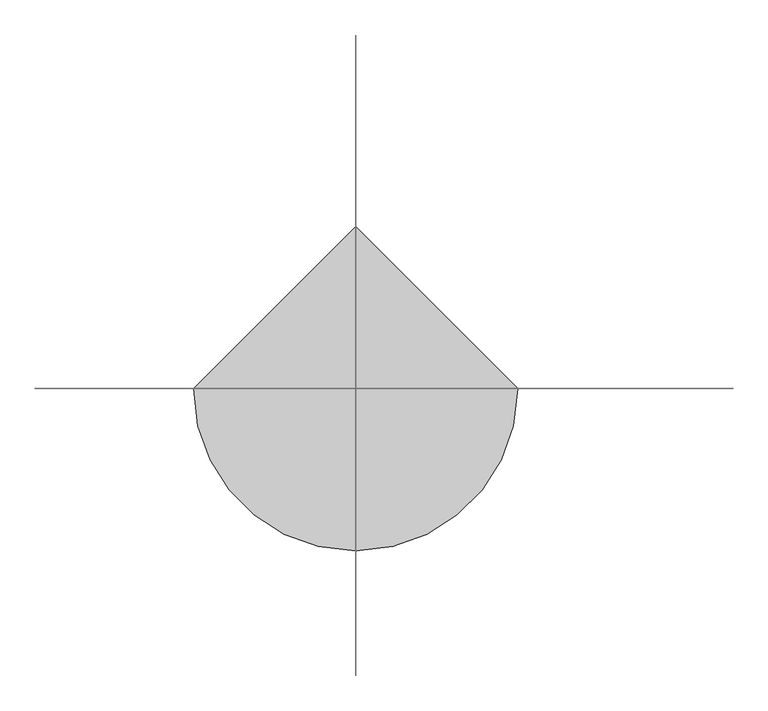
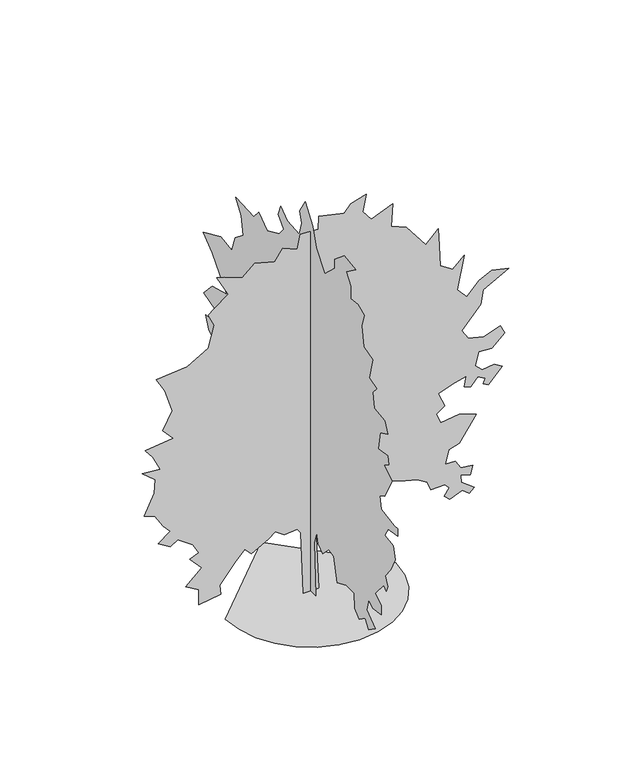
"""IFC4 building model written with IfcOpenShell, lengths in millimetres: geographic element geometry."""

from ifc_helpers import new_model, si_unit, origin, place, context, project, spatial, triangles, source, transform, mapped, element, save


def geographic_element_e7474463(model_context):
    return source(origin(), model_context, "Body", "Tessellation", [
        triangles([(-3567.3345795, 0.0, 0.0005003), (-3473.0319054, -817.3984354, 0.0005003), (-3204.4317307, -1568.045858, 0.0005003), (-2783.067334, -2230.4394379, 0.0005003), (-2230.4394379, -2783.067334, 0.0005003), (-1568.045858, -3204.4317307, 0.0005003), (-817.3960373, -3473.0319054, 0.0005003), (0.0001559, -3567.3345795, 0.0005003), (817.3984354, -3473.0319054, 0.0005003), (1568.045858, -3204.4317307, 0.0005003), (2230.4394379, -2783.067334, 0.0005003), (2783.067334, -2230.4394379, 0.0005003), (3204.4317307, -1568.045858, 0.0005003), (3473.0319054, -817.3960373, 0.0005003), (3567.3345795, 0.0003119, 0.0005003), (-0.0004678, 3567.3345795, 0.0005003), (-300.3359193, 0.0, 0.0074519), (-418.8850422, -0.0001625, 2726.6367668), (-561.1444548, -0.0001738, 2916.3286766), (-1106.4741772, -0.000171, 2868.8937813), (-1485.8318356, -0.0001865, 3129.7261162), (-1770.3506607, -0.0001738, 2916.3286766), (-2481.6476509, -0.0001498, 2513.263163), (-2766.1619705, -0.0001682, 2821.4827217), (-3169.2274841, -0.0001399, 2347.2862301), (-3809.3959671, -9.47e-05, 1588.5685879), (-3761.9849075, -6.92e-05, 1161.7903502), (-4686.6674194, -6.08e-05, 1019.5309376), (-4686.6674194, -0.0001003, 1683.4097466), (-5231.9899475, -0.0001201, 2015.3492237), (-4568.1159348, -0.0001569, 2631.8146477), (-5066.0274033, -0.0001894, 3177.1371758), (-4686.6674194, -0.0001979, 3319.3941902), (-4947.4759186, -0.0002247, 3769.8710541), (-5563.9388718, -0.0002516, 4220.371463), (-5872.1584305, -0.0002388, 4006.9740234), (-6393.7760101, -0.0002572, 4315.2171272), (-5872.1584305, -0.0002798, 4694.5771111), (-6180.401825, -0.0002996, 5026.5024902), (-6536.056279, -0.0003335, 5595.5543839), (-6962.8273224, -0.000342, 5737.8113983), (-6559.7618088, -0.0003943, 6615.0828506), (-6512.3274948, -0.0004296, 7207.8164383), (-7057.6732773, -0.0004565, 7658.3168472), (-6298.9533096, -0.0004522, 7587.1764221), (-6607.1734497, -0.0004904, 8227.3454865), (-6939.1217926, -0.0005144, 8630.4110001), (-5753.6069458, -0.0005229, 8772.6680145), (-6204.1073547, -0.0005526, 9270.579483), (-5801.0418411, -0.0005964, 10005.5939209), (-6109.2613998, -0.0006557, 11001.4168579), (-6464.9158539, -0.0006925, 11617.8559753), (-5160.8733582, -0.0006995, 11736.4080414), (-4283.6019058, -0.0007306, 12258.0250397), (-4046.4989365, -0.0007858, 13182.7313873), (-4283.6019058, -0.0008168, 13704.3483856), (-4046.4989365, -0.0008296, 13917.7214081), (-3453.7650581, -0.000855, 14344.5162872), (-3927.9474518, -0.0009087, 15245.4938507), (-3619.7278931, -0.000903, 15150.6473145), (-2861.0076347, -0.0008861, 14866.1332855), (-2339.388311, -0.0009144, 15340.3159698), (-1509.5421616, -0.0009002, 15103.2130005), (-1177.6026844, -0.0009299, 15601.124469), (-561.1444548, -0.0009144, 15340.3159698), (-442.5953319, -0.0009511, 15956.7795044), (316.1223104, -0.0009483, 15909.3672821), (339.8326364, -0.0009822, 16478.3965027), (1406.7793934, -0.0009681, 16241.2935333), (1691.2958931, -0.0009864, 16549.5363464), (2331.4668468, -0.0009991, 16762.9105316), (2189.2050362, -0.0009553, 16027.9193481), (2544.8548393, -0.0009285, 15577.4189392), (3445.8318214, -0.0009497, 15933.0739746), (3374.6913963, -0.0008917, 14960.9565674), (4014.86017, -0.0008762, 14700.1469055), (4821.0147423, -0.000814, 13656.9129089), (5342.6320313, -0.0008451, 14178.5299072), (5390.0430908, -0.0007985, 13396.1044098), (5437.4541504, -0.0007448, 12495.128009), (5959.0949844, -0.000725, 12163.2029205), (6433.2770874, -0.0007518, 12613.6789124), (6148.7630585, -0.000667, 11191.0855133), (6551.8285721, -0.0006402, 10740.6083588), (7073.4455704, -0.0006727, 11285.9308868), (7595.0625687, -0.0006882, 11546.739386), (8306.3714767, -0.0006783, 11380.7774231), (7239.4081146, -0.0006444, 10811.7249481), (7120.8804657, -0.0006077, 10195.2625763), (6338.4311325, -0.000554, 9294.2850128), (6599.2634674, -0.00053, 8891.2194992), (7263.1374802, -0.0005201, 8725.256955), (7950.7170227, -0.0005342, 8962.3599243), (8140.3856781, -0.0005116, 8582.9999405), (7595.0625687, -0.0004819, 8085.088472), (7049.7400406, -0.0004847, 8132.4995316), (6907.4830261, -0.0004508, 7563.4708923), (7191.9970551, -0.0004339, 7278.9568634), (7689.9085236, -0.0004381, 7350.0734528), (8021.8574478, -0.0004254, 7136.6998489), (7452.8055542, -0.0003886, 6520.2368958), (7239.4081146, -0.0003957, 6638.7883804), (7310.5485397, -0.0004084, 6852.1619843), (7002.328981, -0.0004197, 7041.853894), (6717.7911163, -0.0003985, 6686.19944), (6433.2770874, -0.0004042, 6781.0453949), (6528.1230423, -0.000431, 7231.5225494), (6030.2115738, -0.000424, 7112.9710648), (5342.6320313, -0.0004084, 6852.1619843), (5627.1460602, -0.0003717, 6235.7228668), (5271.4916061, -0.0003561, 5974.9143677), (5461.1835159, -0.0003293, 5524.4139587), (6219.9034836, -0.0003363, 5642.9654434), (6931.1885559, -0.0003222, 5405.8624741), (6219.9034836, -0.00026, 4362.6284775), (5793.1086044, -0.0002516, 4220.371463), (5650.85159, -0.0002162, 3627.6140396), (6053.9171036, -0.0002162, 3627.6140396), (6291.0200729, -0.0001936, 3248.2537651), (6788.9315414, -0.0001894, 3177.1371758), (6694.0855865, -0.0001668, 2797.7771919), (6291.0200729, -0.0001738, 2916.3286766), (6314.7256027, -0.0001555, 2608.0852821), (6860.0719666, -0.00013, 2181.3165642), (6646.674527, -0.0001187, 1991.6388977), (6362.160498, -0.0001328, 2228.7370708), (5840.5434998, -0.0001201, 2015.3492237), (5603.4405304, -0.0001328, 2228.7370708), (5816.8141342, -0.0001512, 2536.9686928), (5627.1460602, -0.0001625, 2726.6367668), (5034.3886368, -0.0001625, 2726.6367668), (4892.1316223, -0.0001851, 3105.9967506), (4465.3602882, -0.0002007, 3366.8052498), (3967.4488197, -0.0002077, 3485.3567345), (3137.6122627, -0.0002233, 3746.1655243), (2900.5092934, -0.0002007, 3366.8052498), (2639.7007942, -0.0002148, 3603.9082191), (2521.1493095, -0.0002289, 3841.0111885), (2046.9455509, -0.0002289, 3841.0111885), (1809.8473778, -0.0002374, 3983.2684937), (979.9988302, -0.0002247, 3769.8710541), (339.8326364, -0.0002007, 3366.8052498), (221.2820964, -0.0001639, 2750.3661324), (339.8326364, 0.0, 0.0004476), (0.0, 343.5230361, 0.0), (0.0, 296.1048185, 2489.5337975), (0.0, 533.2030643, 3485.3567345), (0.0, 959.9813021, 4030.6795532), (0.0, 1837.2480309, 4338.922657), (0.0, 2382.5755005, 3627.6140396), (0.0, 2572.2674103, 4030.6795532), (0.0, 3307.2580124, 3793.5765839), (0.0, 3828.8753014, 3864.717009), (0.0, 4516.478389, 3153.4081009), (0.0, 5109.212558, 2418.4172081), (0.0, 5725.6755112, 2370.9824581), (0.0, 5370.0210571, 3011.1507957), (0.0, 6176.1753387, 3271.9595856), (0.0, 5701.9694, 3485.3567345), (0.0, 4872.1092979, 3864.717009), (0.0, 5346.3155273, 4576.0256264), (0.0, 5796.8153549, 5121.3484451), (0.0, 5607.1240265, 5761.5169281), (0.0, 5986.4840103, 6543.9424255), (0.0, 6436.9844193, 6330.544986), (0.0, 7053.4235367, 6117.1713821), (0.0, 7503.9239456, 6140.8769119), (0.0, 6982.3069473, 6852.1619843), (0.0, 7385.3724609, 7112.9710648), (0.0, 7598.7699005, 7634.588063), (0.0, 6982.3069473, 7658.2935928), (0.0, 6887.4609924, 8251.0510162), (0.0, 7741.026915, 8511.8595154), (0.0, 7124.5639618, 9175.7335281), (0.0, 6081.3299652, 9460.2475571), (0.0, 7124.5639618, 10669.468515), (0.0, 7788.4379745, 11167.3799835), (0.0, 6508.1010086, 11736.4080414), (0.0, 5725.6755112, 11617.8559753), (0.0, 5488.5725418, 12305.4593536), (0.0, 4872.1092979, 12803.3475677), (0.0, 5038.0953873, 13562.0675354), (0.0, 5441.1609009, 14131.1188477), (0.0, 4113.4128754, 14083.6845337), (0.0, 3781.4639511, 14486.7738831), (0.0, 3165.0009979, 14036.2734741), (0.0, 2287.7389927, 14439.3384064), (0.0, 1955.7995155, 14842.4045013), (0.0, 2335.1571739, 15269.1993805), (0.0, 2169.187508, 15719.676535), (0.0, 1694.9910164, 15364.0214996), (0.0, 841.4321428, 15292.9049103), (0.0, 628.044223, 15909.3672821), (0.0, 794.0115635, 16359.8444366), (0.0, 390.9436518, 17000.013501), (0.0, -154.3841994, 16241.2935333), (0.0, -415.1922807, 15458.8680359), (0.0, -1031.6505466, 14676.4413757), (0.0, -1766.6578629, 15364.0214996), (0.0, -1742.9500076, 15743.3820648), (0.0, -2454.2353706, 16336.1389069), (0.0, -3260.3899429, 16193.8824738), (0.0, -2572.7868553, 15695.9710052), (0.0, -2904.7354889, 15245.4705963), (0.0, -2904.7354889, 14700.1469055), (0.0, -3426.3527779, 14771.287912), (0.0, -3900.5587166, 14581.5960022), (0.0, -3710.8668068, 13988.8624146), (0.0, -3853.1238213, 13159.0014404), (0.0, -4493.2923042, 12969.3339478), (0.0, -4256.2128799, 12020.9220703), (0.0, -4801.5356987, 11854.9589447), (0.0, -4517.0216698, 11546.739386), (0.0, -4611.8437889, 10882.8647919), (0.0, -5370.5640472, 10788.0194183), (0.0, -5583.9614868, 10313.8134796), (0.0, -5038.6383774, 10053.0049805), (0.0, -4920.0868927, 9270.579483), (0.0, -5583.9614868, 9365.4254379), (0.0, -5678.8074417, 9033.4765137), (0.0, -5299.4468765, 8796.3735443), (0.0, -5915.8865753, 8440.742926), (0.0, -5370.5640472, 7444.9194077), (0.0, -5014.9095932, 7255.2280792), (0.0, -5109.7555481, 6709.9049698), (0.0, -6081.8729553, 6567.6479553), (0.0, -6318.9759247, 6591.3534851), (0.0, -6318.9759247, 6259.4283966), (0.0, -5631.3725464, 6140.8769119), (0.0, -5394.269577, 5737.8113983), (0.0, -6010.7325302, 5642.9654434), (0.0, -6129.2840149, 5097.6429153), (0.0, -5821.0644562, 4457.4741417), (0.0, -5417.9983612, 3959.5626732), (0.0, -5607.6670166, 3580.2026894), (0.0, -5489.1155319, 3319.3941902), (0.0, -5323.1529877, 3485.3567345), (0.0, -4682.984214, 2726.6367668), (0.0, -5133.4610779, 2442.1227379), (0.0, -5133.4610779, 2062.7627541), (0.0, -4493.2923042, 1944.2135948), (0.0, -4208.7782753, 2157.6039127), (0.0, -4066.5212608, 1635.9844437), (0.0, -4682.984214, 1161.7856266), (0.0, -4208.7782753, 829.8485476), (0.0, -3947.9697762, 1185.4959526), (0.0, -3521.1984421, 877.2668015), (0.0, -3212.9553383, 1185.4959526), (0.0, -3165.543988, 1801.9541096), (0.0, -2596.5159302, 1825.6644356), (0.0, -1932.6276741, 1541.1456104), (0.0, -1695.5293556, 2560.6742226), (0.0, -1316.1693718, 2608.0852821), (0.0, -877.5359711, 2181.311768), (0.0, -557.454055, 2418.4172081), (0.0, -438.9049321, 2845.1882515), (0.0, -272.9328499, 2323.5712532), (0.0, -367.7740268, 0.0025015)], [[15, 16, 1], [14, 15, 1], [14, 1, 2], [13, 14, 2], [13, 2, 3], [13, 3, 4], [12, 13, 4], [11, 12, 4], [11, 4, 5], [11, 5, 6], [11, 6, 7], [11, 7, 8], [11, 8, 9], [11, 9, 10], [43, 44, 45], [81, 82, 83], [86, 87, 88], [85, 86, 88], [58, 59, 60], [77, 78, 79], [46, 47, 48], [58, 60, 61], [70, 71, 72], [84, 85, 88], [73, 74, 75], [51, 52, 53], [36, 37, 38], [35, 36, 38], [31, 32, 33], [84, 88, 89], [113, 114, 115], [29, 30, 31], [123, 124, 125], [123, 125, 126], [135, 136, 137], [67, 68, 69], [99, 100, 101], [98, 99, 101], [112, 113, 115], [112, 115, 116], [143, 144, 17], [143, 17, 18], [27, 28, 29], [26, 27, 29], [40, 41, 42], [119, 120, 121], [119, 121, 122], [69, 70, 72], [26, 29, 31], [25, 26, 31], [84, 89, 90], [105, 106, 107], [104, 105, 107], [45, 46, 48], [127, 128, 129], [126, 127, 129], [123, 126, 129], [122, 123, 129], [122, 129, 130], [65, 66, 67], [92, 93, 94], [92, 94, 95], [92, 95, 96], [91, 92, 96], [101, 102, 103], [98, 101, 103], [98, 103, 104], [97, 98, 104], [97, 104, 107], [135, 137, 138], [63, 64, 65], [109, 110, 111], [142, 143, 18], [142, 18, 19], [22, 23, 24], [119, 122, 130], [118, 119, 130], [117, 118, 130], [117, 130, 131], [117, 131, 132], [55, 56, 57], [48, 49, 50], [50, 51, 53], [25, 31, 33], [24, 25, 33], [117, 132, 133], [116, 117, 133], [112, 116, 133], [112, 133, 134], [112, 134, 135], [111, 112, 135], [77, 79, 80], [61, 62, 63], [111, 135, 138], [55, 57, 58], [83, 84, 90], [109, 111, 138], [109, 138, 139], [109, 139, 140], [80, 81, 83], [24, 33, 34], [91, 96, 97], [91, 97, 107], [91, 107, 108], [91, 108, 109], [90, 91, 109], [19, 20, 21], [142, 19, 21], [50, 53, 54], [69, 72, 73], [67, 69, 73], [65, 67, 73], [65, 73, 75], [48, 50, 54], [21, 22, 24], [21, 24, 34], [58, 61, 63], [55, 58, 63], [54, 55, 63], [54, 63, 65], [54, 65, 75], [48, 54, 75], [48, 75, 76], [48, 76, 77], [48, 77, 80], [48, 80, 83], [48, 83, 90], [48, 90, 109], [48, 109, 140], [48, 140, 141], [48, 141, 142], [48, 142, 21], [48, 21, 34], [45, 48, 34], [45, 34, 35], [45, 35, 38], [45, 38, 39], [45, 39, 40], [45, 40, 42], [45, 42, 43], [157, 158, 159], [201, 202, 203], [182, 183, 184], [155, 156, 157], [166, 167, 168], [200, 201, 203], [176, 177, 178], [154, 155, 157], [149, 150, 151], [172, 173, 174], [211, 212, 213], [165, 166, 168], [194, 195, 196], [193, 194, 196], [235, 236, 237], [169, 170, 171], [243, 244, 245], [243, 245, 246], [189, 190, 191], [188, 189, 191], [157, 159, 160], [154, 157, 160], [153, 154, 160], [250, 251, 252], [234, 235, 237], [199, 200, 203], [226, 227, 228], [226, 228, 229], [225, 226, 229], [193, 196, 197], [192, 193, 197], [168, 169, 171], [258, 145, 146], [257, 258, 146], [172, 174, 175], [221, 222, 223], [215, 216, 217], [214, 215, 217], [256, 257, 146], [256, 146, 147], [209, 210, 211], [184, 185, 186], [206, 207, 208], [218, 219, 220], [218, 220, 221], [246, 247, 248], [246, 248, 249], [243, 246, 249], [242, 243, 249], [253, 254, 255], [253, 255, 256], [239, 240, 241], [238, 239, 241], [238, 241, 242], [205, 206, 208], [199, 203, 204], [199, 204, 205], [198, 199, 205], [225, 229, 230], [181, 182, 184], [175, 176, 178], [175, 178, 179], [164, 165, 168], [164, 168, 171], [230, 231, 232], [230, 232, 233], [188, 191, 192], [221, 223, 224], [181, 184, 186], [192, 197, 198], [230, 233, 234], [153, 160, 161], [161, 162, 163], [153, 161, 163], [164, 171, 172], [164, 172, 175], [218, 221, 224], [198, 205, 208], [198, 208, 209], [198, 209, 211], [188, 192, 198], [187, 188, 198], [187, 198, 211], [186, 187, 211], [181, 186, 211], [181, 211, 213], [181, 213, 214], [181, 214, 217], [181, 217, 218], [181, 218, 224], [180, 181, 224], [179, 180, 224], [175, 179, 224], [164, 175, 224], [163, 164, 224], [153, 163, 224], [152, 153, 224], [151, 152, 224], [149, 151, 224], [148, 149, 224], [148, 224, 225], [147, 148, 225], [256, 147, 225], [253, 256, 225], [252, 253, 225], [252, 225, 230], [252, 230, 234], [252, 234, 237], [252, 237, 238], [250, 252, 238], [249, 250, 238], [242, 249, 238]], closed=False),
    ])


if __name__ == "__main__":
    model = new_model("IFC4")
    model_context = context("Model", 3, world=origin())
    ifc_project = project(units=[si_unit("LENGTHUNIT", "METRE", prefix="MILLI")], contexts=[model_context])
    site = spatial("IfcSite", under=ifc_project)
    building = spatial("IfcBuilding", under=site)
    placement = place(None, origin())
    geographic_element_shape = geographic_element_e7474463(model_context)
    element("IfcGeographicElement", 1, at=placement, inside=building, context=model_context, shape_type="MappedRepresentation", body=[
        mapped(geographic_element_shape, transform((0.0, 0.0, 0.0), x_axis=(1.0, 0.0, 0.0), y_axis=(0.0, 1.0, 0.0), z_axis=(0.0, 0.0, 1.0))),
    ])
    save(model, "model.ifc")
